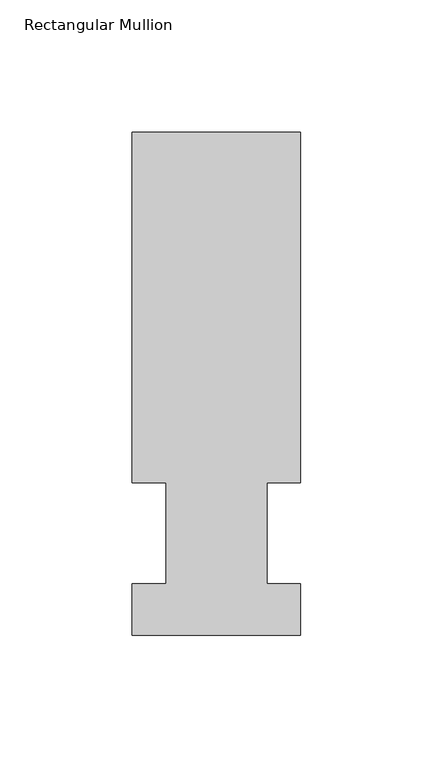
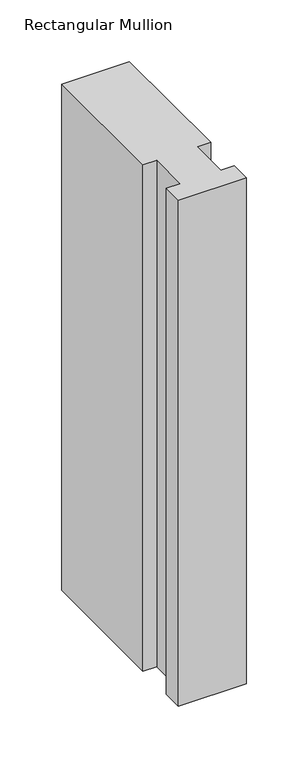
"""IFC4 building model written with IfcOpenShell, lengths in millimetres: member geometry, Rectangular Mullion."""

from ifc_helpers import new_model, si_unit, frame, origin, place, context, project, spatial, polyline, outline, extrude, source, transform, mapped, element, save


def rectangular_mullion_c29cf364(model_context):
    return source(origin(), model_context, "Body", "SweptSolid", [
        extrude(outline(polyline([(1e-07, 0.0134937), (-63.4999999, 0.0134937), (-63.4999999, 19.5460937), (-50.7999999, 19.5460937), (-50.7999999, 57.6460937), (-63.5, 57.6460937), (-63.5, 189.8022937), (0.0, 189.8022937), (0.0, 57.6460937), (-12.6873, 57.6460937), (-12.6873, 19.5460937), (1e-07, 19.5460937), (1e-07, 0.0134937)])), frame((0.0, 0.0, -501.6499997), z_axis=(0.0, 0.0, 1.0), x_axis=(1.0, 0.0, 0.0)), (0.0, 0.0, 1.0), 501.6499997),
    ])


if __name__ == "__main__":
    model = new_model("IFC4")
    model_context = context("Model", 3, world=origin())
    ifc_project = project(units=[si_unit("LENGTHUNIT", "METRE", prefix="MILLI")], contexts=[model_context])
    site = spatial("IfcSite", under=ifc_project)
    building = spatial("IfcBuilding", under=site)
    placement = place(None, origin())
    rectangular_mullion_shape = rectangular_mullion_c29cf364(model_context)
    element("IfcMember", 1, ObjectType="Rectangular Mullion", at=placement, inside=building, context=model_context, shape_type="MappedRepresentation", body=[
        mapped(rectangular_mullion_shape, transform((0.0, 0.0, 0.0), x_axis=(1.0, 0.0, 0.0), y_axis=(0.0, 1.0, 0.0), z_axis=(0.0, 0.0, 1.0))),
    ])
    save(model, "model.ifc")
